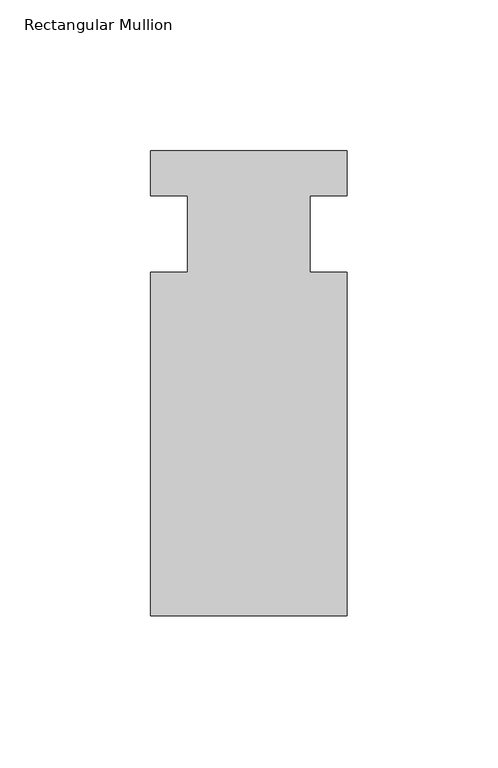
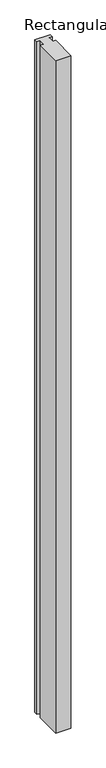
"""IFC4 building model written with IfcOpenShell, lengths in millimetres: member geometry, Rectangular Mullion."""

from ifc_helpers import new_model, si_unit, frame, origin, place, context, project, spatial, polyline, outline, extrude, source, transform, mapped, element, save


def rectangular_mullion_56b5f9fb(model_context):
    return source(origin(), model_context, "Body", "SweptSolid", [
        extrude(outline(polyline([(-65.0749982, 50.5805418), (-52.8575982, 50.5805418), (-52.8575982, 75.9664663), (-65.0533683, 75.9664663), (-65.0533683, 90.7542), (0.0, 90.7542), (0.0, 75.9168569), (-12.1921982, 75.9168569), (-12.1921982, 50.5805418), (-0.0001982, 50.5805418), (-0.0001982, -63.2206), (-65.0749982, -63.2206), (-65.0749982, 50.5805418)])), frame((0.0, 0.0, -3048.0), z_axis=(0.0, 0.0, 1.0), x_axis=(1.0, 0.0, 0.0)), (0.0, 0.0, 1.0), 3048.0),
    ])


if __name__ == "__main__":
    model = new_model("IFC4")
    model_context = context("Model", 3, world=origin())
    ifc_project = project(units=[si_unit("LENGTHUNIT", "METRE", prefix="MILLI")], contexts=[model_context])
    site = spatial("IfcSite", under=ifc_project)
    building = spatial("IfcBuilding", under=site)
    placement = place(None, origin())
    rectangular_mullion_shape = rectangular_mullion_56b5f9fb(model_context)
    element("IfcMember", 1, ObjectType="Rectangular Mullion", at=placement, inside=building, context=model_context, shape_type="MappedRepresentation", body=[
        mapped(rectangular_mullion_shape, transform((0.0, 0.0, 0.0), x_axis=(1.0, 0.0, 0.0), y_axis=(0.0, 1.0, 0.0), z_axis=(0.0, 0.0, 1.0))),
    ])
    save(model, "model.ifc")
